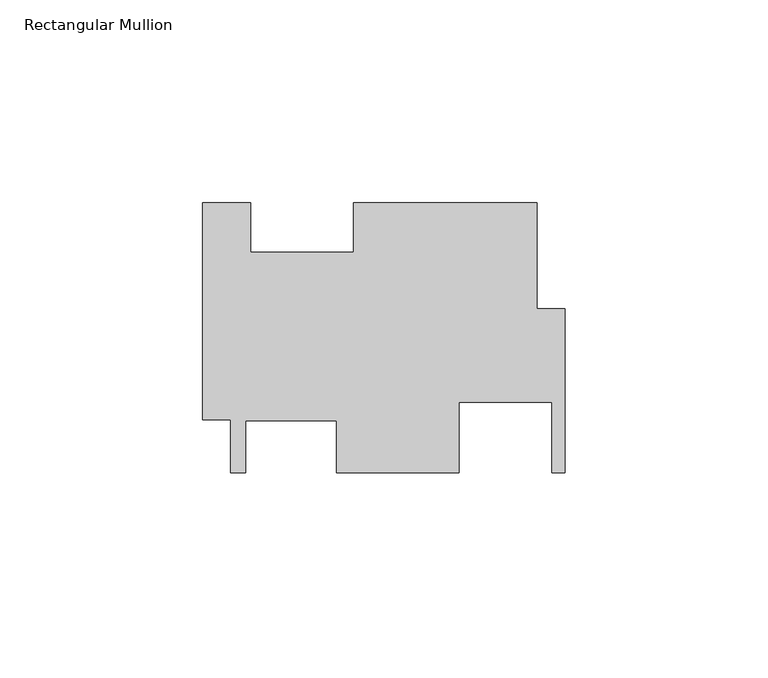
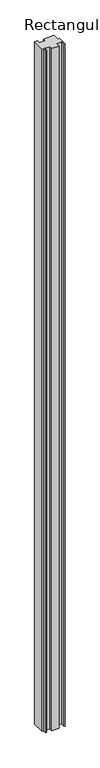
"""IFC4 building model written with IfcOpenShell, lengths in millimetres: member geometry, Rectangular Mullion."""

from ifc_helpers import new_model, si_unit, frame, origin, place, context, project, spatial, polyline, outline, extrude, source, transform, mapped, element, save


def rectangular_mullion_36fec0b0(model_context):
    return source(origin(), model_context, "Body", "SweptSolid", [
        extrude(outline(polyline([(-89.4588, -19.4719322), (-89.4588, 34.0204678), (-77.6224, 34.0204678), (-77.6224, 21.8030678), (-52.2224, 21.8030678), (-52.2224, 34.0204678), (-6.9088, 34.0204678), (-6.9088, 7.8258473), (0.0, 7.8258473), (0.0, -32.6617527), (-3.175, -32.6617527), (-3.175, -15.2373527), (-26.1112, -15.2373527), (-26.1112, -32.6617423), (-56.4388, -32.6617423), (-56.4388, -19.7331527), (-78.8162, -19.7331527), (-78.8162, -32.6617527), (-82.55, -32.6617527), (-82.55, -19.4719322), (-89.4588, -19.4719322)])), frame((0.0, 0.0, -3048.0), z_axis=(0.0, 0.0, 1.0), x_axis=(1.0, 0.0, 0.0)), (0.0, 0.0, 1.0), 3048.0),
    ])


if __name__ == "__main__":
    model = new_model("IFC4")
    model_context = context("Model", 3, world=origin())
    ifc_project = project(units=[si_unit("LENGTHUNIT", "METRE", prefix="MILLI")], contexts=[model_context])
    site = spatial("IfcSite", under=ifc_project)
    building = spatial("IfcBuilding", under=site)
    placement = place(None, origin())
    rectangular_mullion_shape = rectangular_mullion_36fec0b0(model_context)
    element("IfcMember", 1, ObjectType="Rectangular Mullion", at=placement, inside=building, context=model_context, shape_type="MappedRepresentation", body=[
        mapped(rectangular_mullion_shape, transform((0.0, 0.0, 0.0), x_axis=(1.0, 0.0, 0.0), y_axis=(0.0, 1.0, 0.0), z_axis=(0.0, 0.0, 1.0))),
    ])
    save(model, "model.ifc")
